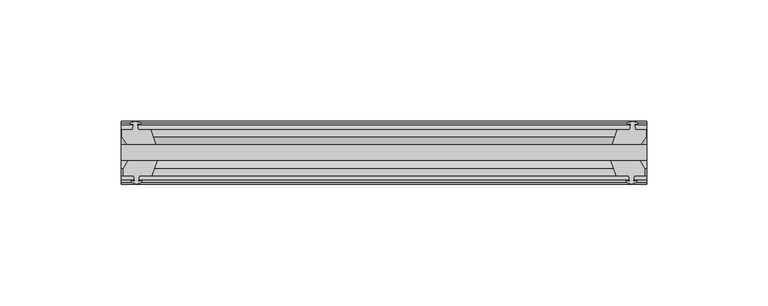
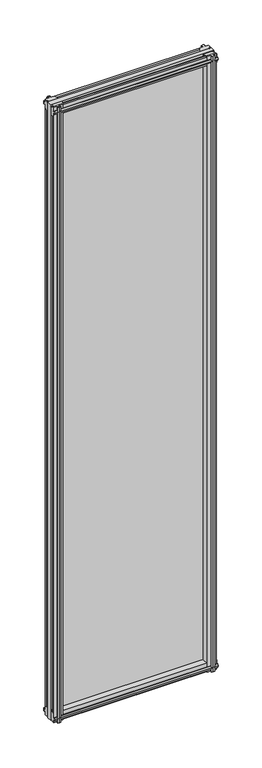
"""IFC4 building model written with IfcOpenShell, lengths in millimetres: plate geometry."""

from ifc_helpers import new_model, si_unit, frame, origin, place, context, project, spatial, polyline, outline, extrude, source, transform, mapped, element, save


def plate_d9725bac(model_context):
    return source(origin(), model_context, "Body", "SweptSolid", [
        extrude(outline(polyline([(-108.4078558, -19.5460937), (108.4078558, -19.5460937), (108.4078558, -25.8960937), (-108.4078558, -25.8960937), (-108.4078558, -19.5460937)])), frame((0.0, 0.0, -12.7), z_axis=(0.0, 0.0, 1.0), x_axis=(1.0, 0.0, 0.0)), (0.0, 0.0, 1.0), 863.6),
        extrude(outline(polyline([(105.4331595, -25.8960937), (107.6458558, -29.2996938), (107.6458558, -32.2460938), (103.2008558, -32.2460938), (102.8198558, -34.6262907), (104.2353848, -34.1663575), (104.2353848, -34.9675717), (102.0578558, -35.6750938), (99.8803267, -34.9675717), (99.8803267, -34.1663575), (101.2958558, -34.6262907), (100.9148558, -32.2460938), (95.7078558, -32.2460938), (93.6025787, -25.8960937), (105.4331595, -25.8960937)])), frame((0.0, 0.0, -12.7), z_axis=(0.0, 0.0, 1.0), x_axis=(1.0, 0.0, 0.0)), (0.0, 0.0, 1.0), 863.6),
        extrude(outline(polyline([(100.4010267, -10.4746158), (102.5785558, -9.7670938), (104.7560848, -10.4746158), (104.7560848, -11.27583), (103.3405558, -10.8158968), (103.7215558, -13.1960938), (108.1665558, -13.1960938), (108.1665558, -16.1424938), (105.9538595, -19.5460937), (94.1232787, -19.5460937), (96.2285558, -13.1960938), (101.4355558, -13.1960938), (101.8165558, -10.8158968), (100.4010267, -11.27583), (100.4010267, -10.4746158)])), frame((0.0, 0.0, -12.7), z_axis=(0.0, 0.0, 1.0), x_axis=(1.0, 0.0, 0.0)), (0.0, 0.0, 1.0), 863.6),
        extrude(outline(polyline([(-93.6025787, -25.8960937), (-95.7078558, -32.2460937), (-100.9148558, -32.2460937), (-101.2958558, -34.6262907), (-99.8803267, -34.1663575), (-99.8803267, -34.9675717), (-102.0578558, -35.6750937), (-104.2353848, -34.9675717), (-104.2353848, -34.1663575), (-102.8198558, -34.6262907), (-103.2008558, -32.2460937), (-107.6458558, -32.2460937), (-107.6458558, -29.2996937), (-105.4331595, -25.8960937), (-93.6025787, -25.8960937)])), frame((0.0, 0.0, -12.7), z_axis=(0.0, 0.0, 1.0), x_axis=(1.0, 0.0, 0.0)), (0.0, 0.0, 1.0), 863.6),
        extrude(outline(polyline([(-103.3405558, -10.8158968), (-104.7560848, -11.27583), (-104.7560848, -10.4746158), (-102.5785558, -9.7670937), (-100.4010267, -10.4746158), (-100.4010267, -11.27583), (-101.8165558, -10.8158968), (-101.4355558, -13.1960937), (-96.2285558, -13.1960937), (-94.1232787, -19.5460937), (-105.9538595, -19.5460937), (-108.1665558, -16.1424937), (-108.1665558, -13.1960937), (-103.7215558, -13.1960937), (-103.3405558, -10.8158968)])), frame((0.0, 0.0, -12.7), z_axis=(0.0, 0.0, 1.0), x_axis=(1.0, 0.0, 0.0)), (0.0, 0.0, 1.0), 863.6),
        extrude(outline(polyline([(-13.1960937, 850.6587), (-13.1960937, 846.2137), (-10.8158968, 845.8327), (-11.27583, 847.248229), (-10.4746158, 847.248229), (-9.7670937, 845.0707), (-10.4746158, 842.8931709), (-11.27583, 842.8931709), (-10.8158968, 844.3087), (-13.1960937, 843.9277), (-13.1960937, 838.7207), (-19.5460937, 836.6154229), (-19.5460937, 848.4460038), (-16.1424937, 850.6587), (-13.1960937, 850.6587)])), frame((-108.4078558, 0.0, 0.0), z_axis=(1.0, 0.0, 0.0), x_axis=(0.0, 1.0, 0.0)), (0.0, 0.0, 1.0), 216.8157115),
        extrude(outline(polyline([(-29.2996937, 850.138), (-25.8960937, 847.9253038), (-25.8960937, 836.0947229), (-32.2460937, 838.2), (-32.2460937, 843.407), (-34.6262907, 843.788), (-34.1663575, 842.3724709), (-34.9675717, 842.3724709), (-35.6750937, 844.55), (-34.9675717, 846.7275291), (-34.1663575, 846.7275291), (-34.6262907, 845.312), (-32.2460937, 845.693), (-32.2460937, 850.138), (-29.2996937, 850.138)])), frame((-108.4078558, 0.0, 0.0), z_axis=(1.0, 0.0, 0.0), x_axis=(0.0, 1.0, 0.0)), (0.0, 0.0, 1.0), 216.8157115),
        extrude(outline(polyline([(-25.8960937, 2.1052771), (-25.8960937, -9.7253038), (-29.2996937, -11.938), (-32.2460937, -11.938), (-32.2460937, -7.493), (-34.6262907, -7.112), (-34.1663575, -8.5275291), (-34.9675717, -8.5275291), (-35.6750937, -6.35), (-34.9675717, -4.1724709), (-34.1663575, -4.1724709), (-34.6262907, -5.588), (-32.2460937, -5.207), (-32.2460937, 0.0), (-25.8960937, 2.1052771)])), frame((-108.4078558, 0.0, 0.0), z_axis=(1.0, 0.0, 0.0), x_axis=(0.0, 1.0, 0.0)), (0.0, 0.0, 1.0), 216.8157115),
        extrude(outline(polyline([(-19.5460937, 1.5845771), (-13.1960937, -0.5207), (-13.1960937, -5.7277), (-10.8158968, -6.1087), (-11.27583, -4.6931709), (-10.4746158, -4.6931709), (-9.7670937, -6.8707), (-10.4746158, -9.048229), (-11.27583, -9.048229), (-10.8158968, -7.6327), (-13.1960937, -8.0137), (-13.1960937, -12.4587), (-16.1424937, -12.4587), (-19.5460937, -10.2460038), (-19.5460937, 1.5845771)])), frame((-108.4078558, 0.0, 0.0), z_axis=(1.0, 0.0, 0.0), x_axis=(0.0, 1.0, 0.0)), (0.0, 0.0, 1.0), 216.8157115),
    ])


if __name__ == "__main__":
    model = new_model("IFC4")
    model_context = context("Model", 3, world=origin())
    ifc_project = project(units=[si_unit("LENGTHUNIT", "METRE", prefix="MILLI")], contexts=[model_context])
    site = spatial("IfcSite", under=ifc_project)
    building = spatial("IfcBuilding", under=site)
    placement = place(None, origin())
    plate_shape = plate_d9725bac(model_context)
    element("IfcPlate", 1, at=placement, inside=building, context=model_context, shape_type="MappedRepresentation", body=[
        mapped(plate_shape, transform((0.0, 0.0, 0.0), x_axis=(1.0, 0.0, 0.0), y_axis=(0.0, 1.0, 0.0), z_axis=(0.0, 0.0, 1.0))),
    ])
    save(model, "model.ifc")
